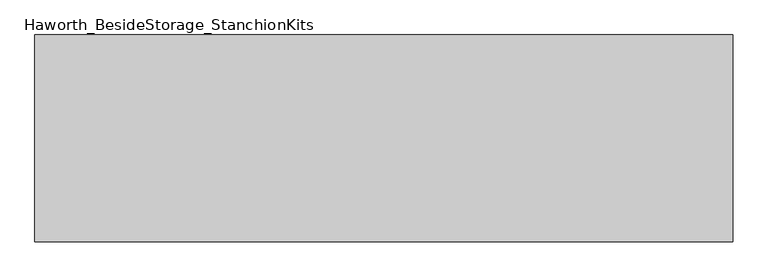
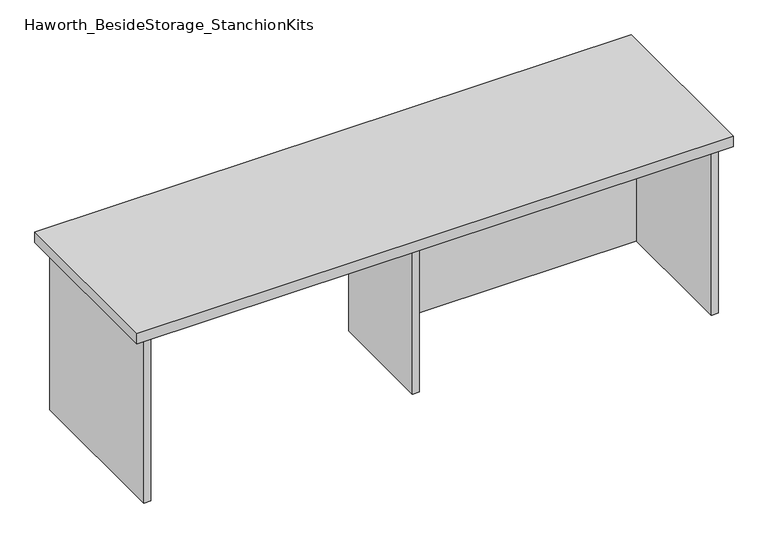
"""IFC4 building model written with IfcOpenShell, lengths in millimetres: furniture geometry, Haworth_BesideStorage_StanchionKits."""

from ifc_helpers import new_model, si_unit, frame, origin, place, context, project, spatial, polyline, outline, extrude, source, transform, mapped, element, save


def haworth_besidestorage_stanchionkits_6d5ee4e4(model_context):
    return source(origin(), model_context, "Body", "SweptSolid", [
        extrude(outline(polyline([(847.725, 0.0), (847.725, -406.4), (-523.875, -406.4), (-523.875, 0.0), (847.725, 0.0)])), frame((0.0, 0.0, 838.2), z_axis=(0.0, 0.0, 1.0), x_axis=(1.0, 0.0, 0.0)), (0.0, 0.0, 1.0), 25.4),
        extrude(outline(polyline([(169.8625, -76.2), (806.45, -76.2), (806.45, -92.075), (169.8625, -92.075), (169.8625, -76.2)])), frame((0.0, 0.0, 431.8), z_axis=(0.0, 0.0, 1.0), x_axis=(1.0, 0.0, 0.0)), (0.0, 0.0, 1.0), 406.4),
        extrude(outline(polyline([(169.8625, -330.2), (153.9875, -330.2), (153.9875, -76.2), (169.8625, -76.2), (169.8625, -330.2)])), frame((0.0, 0.0, 431.8), z_axis=(0.0, 0.0, 1.0), x_axis=(1.0, 0.0, 0.0)), (0.0, 0.0, 1.0), 406.4),
        extrude(outline(polyline([(822.325, -390.525), (806.45, -390.525), (806.45, -15.875), (822.325, -15.875), (822.325, -390.525)])), frame((0.0, 0.0, 431.8), z_axis=(0.0, 0.0, 1.0), x_axis=(1.0, 0.0, 0.0)), (0.0, 0.0, 1.0), 406.4),
        extrude(outline(polyline([(-482.6, -390.525), (-498.475, -390.525), (-498.475, -15.875), (-482.6, -15.875), (-482.6, -390.525)])), frame((0.0, 0.0, 431.8), z_axis=(0.0, 0.0, 1.0), x_axis=(1.0, 0.0, 0.0)), (0.0, 0.0, 1.0), 406.4),
    ])


if __name__ == "__main__":
    model = new_model("IFC4")
    model_context = context("Model", 3, world=origin())
    ifc_project = project(units=[si_unit("LENGTHUNIT", "METRE", prefix="MILLI")], contexts=[model_context])
    site = spatial("IfcSite", under=ifc_project)
    building = spatial("IfcBuilding", under=site)
    placement = place(None, origin())
    haworth_besidestorage_stanchionkits_shape = haworth_besidestorage_stanchionkits_6d5ee4e4(model_context)
    element("IfcFurniture", 1, ObjectType="Haworth_BesideStorage_StanchionKits", at=placement, inside=building, context=model_context, shape_type="MappedRepresentation", body=[
        mapped(haworth_besidestorage_stanchionkits_shape, transform((0.0, 0.0, 0.0), x_axis=(1.0, 0.0, 0.0), y_axis=(0.0, 1.0, 0.0), z_axis=(0.0, 0.0, 1.0))),
    ])
    save(model, "model.ifc")
